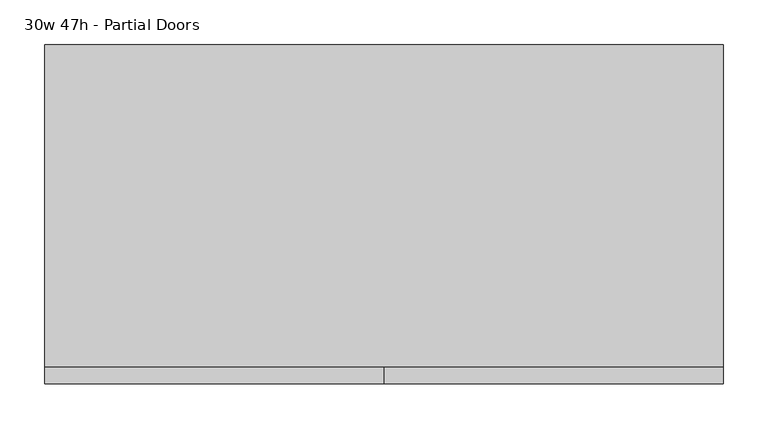
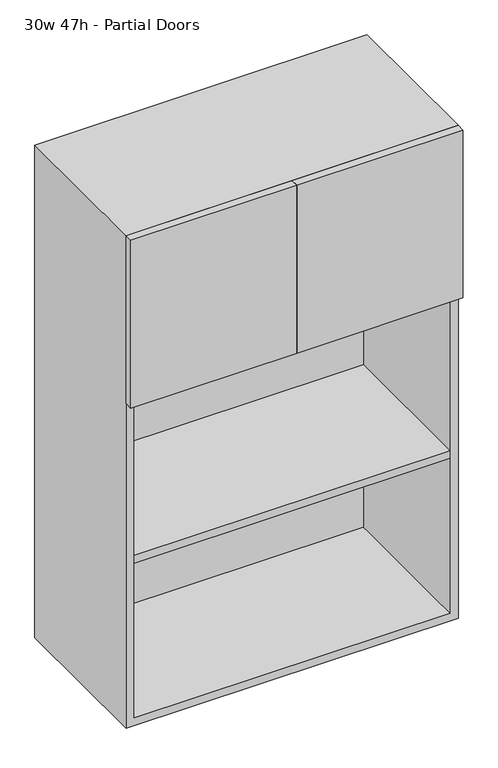
"""IFC4 building model written with IfcOpenShell, lengths in millimetres: furniture geometry, 30w 47h - Partial Doors."""

from ifc_helpers import new_model, si_unit, frame, origin, place, context, project, spatial, polyline, outline, extrude, source, transform, mapped, element, save


def furniture_30w_47h_partial_doors_63e9746b(model_context):
    return source(origin(), model_context, "Body", "SweptSolid", [
        extrude(outline(polyline([(361.9569453, 161.925), (361.9569453, -180.975), (-361.9291641, -180.975), (-361.9291641, 161.925), (361.9569453, 161.925)])), frame((0.0, 0.0, 1524.0), z_axis=(0.0, 0.0, 1.0), x_axis=(1.0, 0.0, 0.0)), (0.0, 0.0, 1.0), 19.05),
        extrude(outline(polyline([(361.9569453, 161.925), (361.9569453, -180.975), (-361.9291641, -180.975), (-361.9291641, 161.925), (361.9569453, 161.925)])), frame((0.0, 0.0, 1130.3), z_axis=(0.0, 0.0, 1.0), x_axis=(1.0, 0.0, 0.0)), (0.0, 0.0, 1.0), 19.05),
        extrude(outline(polyline([(0.0138906, -200.025), (0.0138906, -180.975), (381.0138906, -180.975), (381.0138906, -200.025), (0.0138906, -200.025)])), frame((0.0, 0.0, 1524.0), z_axis=(0.0, 0.0, 1.0), x_axis=(1.0, 0.0, 0.0)), (0.0, 0.0, 1.0), 406.4),
        extrude(outline(polyline([(0.0138906, -200.025), (-380.9861094, -200.025), (-380.9861094, -180.975), (0.0138906, -180.975), (0.0138906, -200.025)])), frame((0.0, 0.0, 1524.0), z_axis=(0.0, 0.0, 1.0), x_axis=(1.0, 0.0, 0.0)), (0.0, 0.0, 1.0), 406.4),
        extrude(outline(polyline([(736.6, -380.9861094), (736.6, 381.0138906), (1930.4, 381.0138906), (1930.4, -380.9861094), (736.6, -380.9861094)]), holes=[polyline([(755.65, -361.9361094), (1911.35, -361.9361094), (1911.35, 361.9569453), (755.65, 361.9569453), (755.65, -361.9361094)])]), frame((0.0, -180.975, 0.0), z_axis=(0.0, 1.0, 0.0), x_axis=(0.0, 0.0, 1.0)), (0.0, 0.0, 1.0), 361.95),
        extrude(outline(polyline([(-361.9291641, 161.925), (-361.9291641, 180.975), (361.9569453, 180.975), (361.9569453, 161.925), (-361.9291641, 161.925)])), frame((0.0, 0.0, 755.65), z_axis=(0.0, 0.0, 1.0), x_axis=(1.0, 0.0, 0.0)), (0.0, 0.0, 1.0), 1155.7),
    ])


if __name__ == "__main__":
    model = new_model("IFC4")
    model_context = context("Model", 3, world=origin())
    ifc_project = project(units=[si_unit("LENGTHUNIT", "METRE", prefix="MILLI")], contexts=[model_context])
    site = spatial("IfcSite", under=ifc_project)
    building = spatial("IfcBuilding", under=site)
    placement = place(None, origin())
    furniture_30w_47h_partial_doors_shape = furniture_30w_47h_partial_doors_63e9746b(model_context)
    element("IfcFurniture", 1, ObjectType="30w 47h - Partial Doors", at=placement, inside=building, context=model_context, shape_type="MappedRepresentation", body=[
        mapped(furniture_30w_47h_partial_doors_shape, transform((0.0, 0.0, 0.0), x_axis=(1.0, 0.0, 0.0), y_axis=(0.0, 1.0, 0.0), z_axis=(0.0, 0.0, 1.0))),
    ])
    save(model, "model.ifc")
